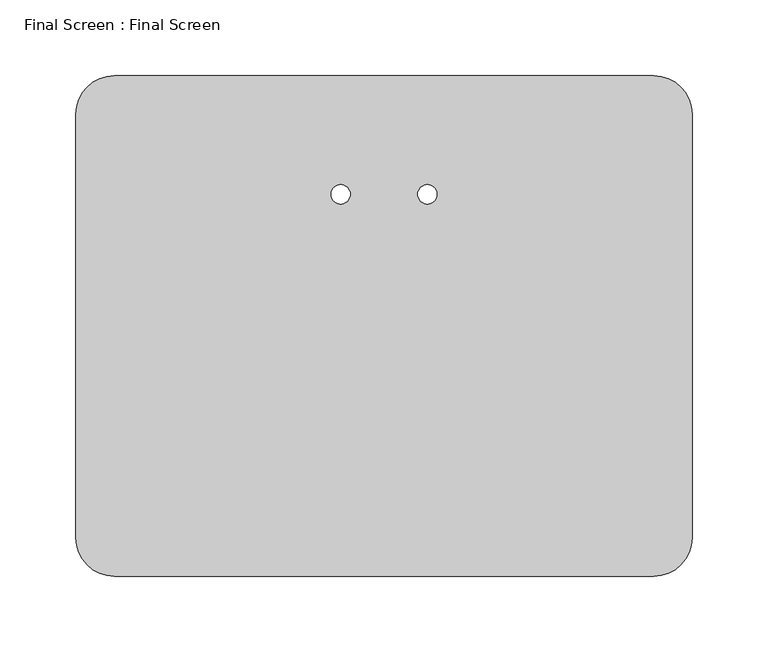
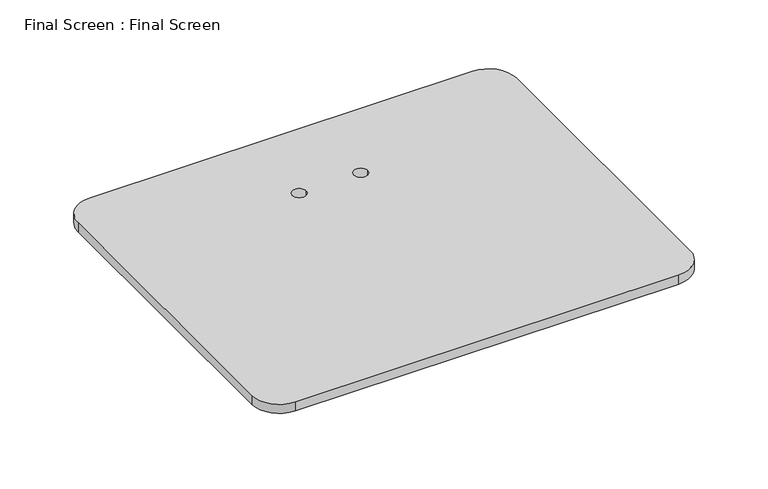
"""IFC4 building model written with IfcOpenShell, lengths in millimetres: proxy geometry, Final Screen : Final Screen."""

from ifc_helpers import new_model, si_unit, point, frame, frame_2d, origin, origin_with_axes, place, context, project, spatial, polyline, circle_curve, trimmed, segment, composite_curve, outline, extrude, source, transform, mapped, element, save


def final_screen_final_screen_6ac58b47(model_context):
    return source(origin(), model_context, "Body", "SweptSolid", [
        extrude(outline(composite_curve([segment(polyline([(-177.8, 120.1615385), (177.8, 120.1615385)]), True, "CONTINUOUS"), segment(trimmed(circle_curve(frame_2d((177.8, 94.7615385)), 25.4), [point((177.8, 120.1615385))], [point((203.2, 94.7615385))], False, "CARTESIAN"), True, "CONTINUOUS"), segment(polyline([(203.2, 94.7615385), (203.2, -184.6384615)]), True, "CONTINUOUS"), segment(trimmed(circle_curve(frame_2d((177.8, -184.6384615)), 25.4), [point((203.2, -184.6384615))], [point((177.8, -210.0384615))], False, "CARTESIAN"), True, "CONTINUOUS"), segment(polyline([(177.8, -210.0384615), (-177.8, -210.0384615)]), True, "CONTINUOUS"), segment(trimmed(circle_curve(frame_2d((-177.8, -184.6384615)), 25.4), [point((-177.8, -210.0384615))], [point((-203.2, -184.6384615))], False, "CARTESIAN"), True, "CONTINUOUS"), segment(polyline([(-203.2, -184.6384615), (-203.2, 94.7615385)]), True, "CONTINUOUS"), segment(trimmed(circle_curve(frame_2d((-177.8, 94.7615385)), 25.4), [point((-203.2, 94.7615385))], [point((-177.8, 120.1615385))], False, "CARTESIAN"), True, "CONTINUOUS")], self_intersect=False), holes=[composite_curve([segment(trimmed(circle_curve(frame_2d((-28.575, 41.9189574)), 6.35), [point((-34.925, 41.9189574))], [point((-22.225, 41.9189574))], True, "CARTESIAN"), True, "CONTINUOUS"), segment(trimmed(circle_curve(frame_2d((-28.575, 41.9189574)), 6.35), [point((-22.225, 41.9189574))], [point((-34.925, 41.9189574))], True, "CARTESIAN"), True, "CONTINUOUS")], self_intersect=False), composite_curve([segment(trimmed(circle_curve(frame_2d((28.575, 41.9189574)), 6.35), [point((34.925, 41.9189574))], [point((22.225, 41.9189574))], True, "CARTESIAN"), True, "CONTINUOUS"), segment(trimmed(circle_curve(frame_2d((28.575, 41.9189574)), 6.35), [point((22.225, 41.9189574))], [point((34.925, 41.9189574))], True, "CARTESIAN"), True, "CONTINUOUS")], self_intersect=False)]), frame((0.0, 0.0, 6.35), z_axis=(0.0, 0.0, 1.0), x_axis=(1.0, 0.0, 0.0)), (0.0, 0.0, 1.0), 8.89),
        extrude(outline(composite_curve([segment(trimmed(circle_curve(frame_2d((44.45, 49.5978723)), 19.05), [point((44.45, 68.6478723))], [point((63.5, 49.5978723))], False, "CARTESIAN"), True, "CONTINUOUS"), segment(polyline([(63.5, 49.5978723), (63.5, -13.9021277)]), True, "CONTINUOUS"), segment(trimmed(circle_curve(frame_2d((44.45, -13.9021277)), 19.05), [point((63.5, -13.9021277))], [point((44.45, -32.9521277))], False, "CARTESIAN"), True, "CONTINUOUS"), segment(polyline([(44.45, -32.9521277), (-44.45, -32.9521277)]), True, "CONTINUOUS"), segment(trimmed(circle_curve(frame_2d((-44.45, -13.9021277)), 19.05), [point((-44.45, -32.9521277))], [point((-63.5, -13.9021277))], False, "CARTESIAN"), True, "CONTINUOUS"), segment(polyline([(-63.5, -13.9021277), (-63.5, 49.5978723)]), True, "CONTINUOUS"), segment(trimmed(circle_curve(frame_2d((-44.45, 49.5978723)), 19.05), [point((-63.5, 49.5978723))], [point((-44.45, 68.6478723))], False, "CARTESIAN"), True, "CONTINUOUS"), segment(polyline([(-44.45, 68.6478723), (44.45, 68.6478723)]), True, "CONTINUOUS")], self_intersect=False), holes=[composite_curve([segment(trimmed(circle_curve(frame_2d((-28.575, 41.9189574)), 6.35), [point((-22.225, 41.9189574))], [point((-34.925, 41.9189574))], True, "CARTESIAN"), True, "CONTINUOUS"), segment(trimmed(circle_curve(frame_2d((-28.575, 41.9189574)), 6.35), [point((-34.925, 41.9189574))], [point((-22.225, 41.9189574))], True, "CARTESIAN"), True, "CONTINUOUS")], self_intersect=False), composite_curve([segment(trimmed(circle_curve(frame_2d((28.575, 41.9189574)), 6.35), [point((22.225, 41.9189574))], [point((34.925, 41.9189574))], True, "CARTESIAN"), True, "CONTINUOUS"), segment(trimmed(circle_curve(frame_2d((28.575, 41.9189574)), 6.35), [point((34.925, 41.9189574))], [point((22.225, 41.9189574))], True, "CARTESIAN"), True, "CONTINUOUS")], self_intersect=False)]), origin_with_axes(), (0.0, 0.0, 1.0), 6.35),
    ])


if __name__ == "__main__":
    model = new_model("IFC4")
    model_context = context("Model", 3, world=origin())
    ifc_project = project(units=[si_unit("LENGTHUNIT", "METRE", prefix="MILLI")], contexts=[model_context])
    site = spatial("IfcSite", under=ifc_project)
    building = spatial("IfcBuilding", under=site)
    placement = place(None, origin())
    final_screen_final_screen_shape = final_screen_final_screen_6ac58b47(model_context)
    element("IfcBuildingElementProxy", 1, Name="Final Screen : Final Screen", ObjectType="Final Screen : Final Screen", at=placement, inside=building, context=model_context, shape_type="MappedRepresentation", body=[
        mapped(final_screen_final_screen_shape, transform((0.0, 0.0, 0.0), x_axis=(1.0, 0.0, 0.0), y_axis=(0.0, 1.0, 0.0), z_axis=(0.0, 0.0, 1.0))),
    ])
    save(model, "model.ifc")
